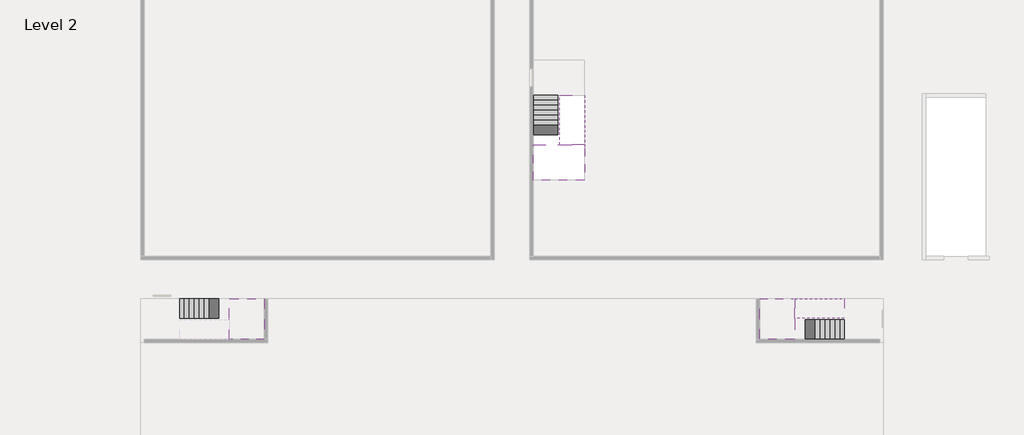
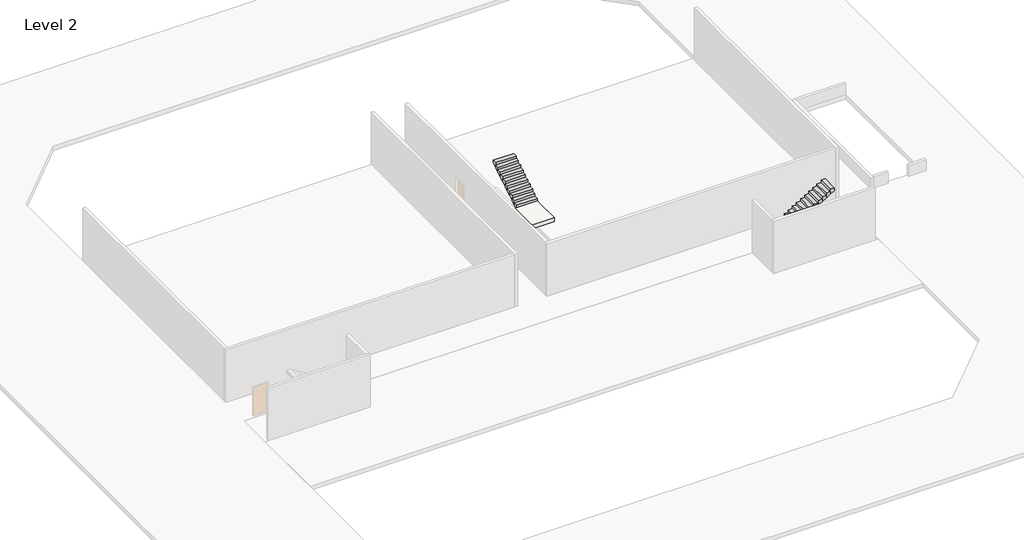
# One storey, part 2 of 2: 5 stair flights, 3 slabs.
"""IFC4 building model written with IfcOpenShell, lengths in millimetres."""

from ifc_helpers import new_model, si_unit, origin, place, context, project, spatial, faceted_brep, element, save

model = new_model("IFC4")

# Units and contexts
model_context = context("Model", 3, world=origin())
ifc_project = project(units=[si_unit("LENGTHUNIT", "METRE", prefix="MILLI")], contexts=[model_context])

# Site, building, storey
site = spatial("IfcSite", under=ifc_project)
building = spatial("IfcBuilding", under=site)
storey = spatial("IfcBuildingStorey", under=building, Name="Level 2", Elevation=3800.0)

# Slabs
placement = place(None, origin())
element("IfcSlab", 1, at=placement, inside=storey, context=model_context, shape_type="Brep", body=[
    faceted_brep([(8190.1058784, -42918.09644, 5700.0), (8190.1058784, -44018.09644, 5700.0), (8190.1058784, -44118.09644, 5700.0), (8190.1058784, -45218.09644, 5700.0), (8390.7194421, -45218.09644, 5700.0), (10190.1058784, -45218.09644, 5700.0), (10190.1058784, -42918.09644, 5700.0), (8269.4923146, -42918.09644, 5700.0), (8190.1058784, -42918.09644, 5527.2727273), (8190.1058784, -42918.09644, 5351.0278478), (8190.1058784, -44018.09644, 5351.0278478), (8190.1058784, -44018.09644, 5400.0), (8190.1058784, -44118.09644, 5400.0), (8190.1058784, -44118.09644, 5523.7551205), (8190.1058784, -45218.09644, 5523.7551205), (8390.7194421, -45218.09644, 5400.0), (10190.1058784, -45218.09644, 5400.0), (10190.1058784, -42918.09644, 5400.0), (8269.4923146, -42918.09644, 5400.0), (8390.7194421, -44118.09644, 5400.0), (8269.4923146, -44018.09644, 5400.0)], [[[0, 1, 2, 3, 4, 5, 6, 7]], [[1, 0, 8, 9, 10, 11]], [[2, 1, 11, 12, 13]], [[3, 2, 13, 14]], [[3, 14, 15, 16, 5, 4]], [[6, 5, 16, 17]], [[9, 8, 0, 7, 6, 17, 18]], [[19, 12, 11, 20, 18, 17, 16, 15]], [[12, 19, 13]], [[18, 20, 10, 9]], [[20, 11, 10]], [[19, 15, 14, 13]]]),
])
element("IfcSlab", 2, at=placement, inside=storey, context=model_context, shape_type="Brep", body=[
    faceted_brep([(40190.1058784, -45218.09644, 5700.0), (40190.1058784, -44118.09644, 5700.0), (40190.1058784, -44018.09644, 5700.0), (40190.1058784, -42918.09644, 5700.0), (39989.4923146, -42918.09644, 5700.0), (38190.1058784, -42918.09644, 5700.0), (38190.1058784, -45218.09644, 5700.0), (40110.7194421, -45218.09644, 5700.0), (40190.1058784, -45218.09644, 5527.2727273), (40190.1058784, -45218.09644, 5351.0278478), (40190.1058784, -44118.09644, 5351.0278478), (40190.1058784, -44118.09644, 5400.0), (40190.1058784, -44018.09644, 5400.0), (40190.1058784, -44018.09644, 5523.7551205), (40190.1058784, -42918.09644, 5523.7551205), (39989.4923146, -42918.09644, 5400.0), (38190.1058784, -42918.09644, 5400.0), (38190.1058784, -45218.09644, 5400.0), (40110.7194421, -45218.09644, 5400.0), (39989.4923146, -44018.09644, 5400.0), (40110.7194421, -44118.09644, 5400.0)], [[[0, 1, 2, 3, 4, 5, 6, 7]], [[1, 0, 8, 9, 10, 11]], [[2, 1, 11, 12, 13]], [[3, 2, 13, 14]], [[3, 14, 15, 16, 5, 4]], [[6, 5, 16, 17]], [[9, 8, 0, 7, 6, 17, 18]], [[19, 12, 11, 20, 18, 17, 16, 15]], [[12, 19, 13]], [[18, 20, 10, 9]], [[20, 11, 10]], [[19, 15, 14, 13]]]),
])
element("IfcSlab", 3, at=placement, inside=storey, context=model_context, shape_type="Brep", body=[
    faceted_brep([(26790.1058784, -34218.09644, 5700.0), (25390.1058784, -34218.09644, 5700.0), (25390.1058784, -34297.4828763, 5700.0), (25390.1058784, -36218.09644, 5700.0), (28290.1058784, -36218.09644, 5700.0), (28290.1058784, -34418.7100038, 5700.0), (28290.1058784, -34218.09644, 5700.0), (26890.1058784, -34218.09644, 5700.0), (26790.1058784, -34218.09644, 5400.0), (26790.1058784, -34218.09644, 5351.0278478), (25390.1058784, -34218.09644, 5351.0278478), (25390.1058784, -34218.09644, 5527.2727273), (25390.1058784, -34297.4828763, 5400.0), (25390.1058784, -36218.09644, 5400.0), (28290.1058784, -36218.09644, 5400.0), (28290.1058784, -34418.7100038, 5400.0), (28290.1058784, -34218.09644, 5523.7551205), (26890.1058784, -34218.09644, 5523.7551205), (26890.1058784, -34218.09644, 5400.0), (26890.1058784, -34418.7100038, 5400.0), (26790.1058784, -34297.4828763, 5400.0)], [[[0, 1, 2, 3, 4, 5, 6, 7]], [[1, 0, 8, 9, 10, 11]], [[1, 11, 10, 12, 13, 3, 2]], [[4, 3, 13, 14]], [[4, 14, 15, 16, 6, 5]], [[7, 6, 16, 17]], [[0, 7, 17, 18, 8]], [[18, 19, 15, 14, 13, 12, 20, 8]], [[19, 18, 17]], [[20, 12, 10, 9]], [[8, 20, 9]], [[15, 19, 17, 16]]]),
])

# Stair flights
element("IfcStairFlight", 4, at=placement, inside=storey, context=model_context, shape_type="Brep", body=[
    faceted_brep([(5670.1058784, -42918.09644, 3972.7272727), (5390.1058784, -42918.09644, 3972.7272727), (5390.1058784, -44018.09644, 3972.7272727), (5670.1058784, -44018.09644, 3972.7272727), (5670.1058784, -42918.09644, 3800.0), (5390.1058784, -42918.09644, 3800.0), (5390.1058784, -44018.09644, 3800.0), (5670.1058784, -44018.09644, 3800.0), (5950.1058784, -42918.09644, 4145.4545455), (5670.1058784, -42918.09644, 4145.4545455), (5670.1058784, -44018.09644, 4145.4545455), (5950.1058784, -44018.09644, 4145.4545455), (5950.1058784, -42918.09644, 3969.209666), (5675.8081041, -42918.09644, 3800.0), (5675.8081041, -44018.09644, 3800.0), (5950.1058784, -44018.09644, 3969.209666), (6230.1058784, -42918.09644, 4318.1818182), (5950.1058784, -42918.09644, 4318.1818182), (5950.1058784, -44018.09644, 4318.1818182), (6230.1058784, -44018.09644, 4318.1818182), (6230.1058784, -42918.09644, 4141.9369387), (6230.1058784, -44018.09644, 4141.9369387), (6510.1058784, -42918.09644, 4490.9090909), (6230.1058784, -42918.09644, 4490.9090909), (6230.1058784, -44018.09644, 4490.9090909), (6510.1058784, -44018.09644, 4490.9090909), (6510.1058784, -42918.09644, 4314.6642114), (6510.1058784, -44018.09644, 4314.6642114), (6790.1058784, -42918.09644, 4663.6363636), (6510.1058784, -42918.09644, 4663.6363636), (6510.1058784, -44018.09644, 4663.6363636), (6790.1058784, -44018.09644, 4663.6363636), (6790.1058784, -42918.09644, 4487.3914841), (6790.1058784, -44018.09644, 4487.3914841), (7070.1058784, -42918.09644, 4836.3636364), (6790.1058784, -42918.09644, 4836.3636364), (6790.1058784, -44018.09644, 4836.3636364), (7070.1058784, -44018.09644, 4836.3636364), (7070.1058784, -42918.09644, 4660.1187569), (7070.1058784, -44018.09644, 4660.1187569), (7350.1058784, -42918.09644, 5009.0909091), (7070.1058784, -42918.09644, 5009.0909091), (7070.1058784, -44018.09644, 5009.0909091), (7350.1058784, -44018.09644, 5009.0909091), (7350.1058784, -42918.09644, 4832.8460296), (7350.1058784, -44018.09644, 4832.8460296), (7630.1058784, -42918.09644, 5181.8181818), (7350.1058784, -42918.09644, 5181.8181818), (7350.1058784, -44018.09644, 5181.8181818), (7630.1058784, -44018.09644, 5181.8181818), (7630.1058784, -42918.09644, 5005.5733023), (7630.1058784, -44018.09644, 5005.5733023), (7910.1058784, -42918.09644, 5354.5454545), (7630.1058784, -42918.09644, 5354.5454545), (7630.1058784, -44018.09644, 5354.5454545), (7910.1058784, -44018.09644, 5354.5454545), (7910.1058784, -42918.09644, 5178.3005751), (7910.1058784, -44018.09644, 5178.3005751), (8190.1058784, -42918.09644, 5527.2727273), (7910.1058784, -42918.09644, 5527.2727273), (7910.1058784, -44018.09644, 5527.2727273), (8190.1058784, -44018.09644, 5527.2727273), (8190.1058784, -42918.09644, 5351.0278478), (8190.1058784, -44018.09644, 5351.0278478), (8190.1058784, -44018.09644, 5400.0)], [[[0, 1, 2, 3]], [[1, 0, 4, 5]], [[2, 1, 5, 6]], [[3, 2, 6, 7]], [[8, 9, 10, 11]], [[4, 0, 9, 8, 12, 13]], [[0, 3, 10, 9]], [[3, 7, 14, 15, 11, 10]], [[16, 17, 18, 19]], [[17, 16, 20, 12, 8]], [[8, 11, 18, 17]], [[19, 18, 11, 15, 21]], [[22, 23, 24, 25]], [[23, 22, 26, 20, 16]], [[16, 19, 24, 23]], [[25, 24, 19, 21, 27]], [[28, 29, 30, 31]], [[29, 28, 32, 26, 22]], [[22, 25, 30, 29]], [[31, 30, 25, 27, 33]], [[34, 35, 36, 37]], [[35, 34, 38, 32, 28]], [[28, 31, 36, 35]], [[37, 36, 31, 33, 39]], [[40, 41, 42, 43]], [[41, 40, 44, 38, 34]], [[34, 37, 42, 41]], [[43, 42, 37, 39, 45]], [[46, 47, 48, 49]], [[47, 46, 50, 44, 40]], [[40, 43, 48, 47]], [[49, 48, 43, 45, 51]], [[52, 53, 54, 55]], [[53, 52, 56, 50, 46]], [[46, 49, 54, 53]], [[55, 54, 49, 51, 57]], [[58, 59, 60, 61]], [[59, 58, 62, 56, 52]], [[52, 55, 60, 59]], [[61, 60, 55, 57, 63, 64]], [[58, 61, 64, 63, 62]], [[5, 4, 13, 14, 7, 6]], [[14, 13, 12, 20, 26, 32, 38, 44, 50, 56, 62, 63, 57, 51, 45, 39, 33, 27, 21, 15]]]),
])
element("IfcStairFlight", 5, at=placement, inside=storey, context=model_context, shape_type="Brep", body=[
    faceted_brep([(42710.1058784, -45218.09644, 3972.7272727), (42990.1058784, -45218.09644, 3972.7272727), (42990.1058784, -44118.09644, 3972.7272727), (42710.1058784, -44118.09644, 3972.7272727), (42710.1058784, -45218.09644, 3800.0), (42990.1058784, -45218.09644, 3800.0), (42990.1058784, -44118.09644, 3800.0), (42710.1058784, -44118.09644, 3800.0), (42430.1058784, -45218.09644, 4145.4545455), (42710.1058784, -45218.09644, 4145.4545455), (42710.1058784, -44118.09644, 4145.4545455), (42430.1058784, -44118.09644, 4145.4545455), (42430.1058784, -45218.09644, 3969.209666), (42704.4036527, -45218.09644, 3800.0), (42704.4036527, -44118.09644, 3800.0), (42430.1058784, -44118.09644, 3969.209666), (42150.1058784, -45218.09644, 4318.1818182), (42430.1058784, -45218.09644, 4318.1818182), (42430.1058784, -44118.09644, 4318.1818182), (42150.1058784, -44118.09644, 4318.1818182), (42150.1058784, -45218.09644, 4141.9369387), (42150.1058784, -44118.09644, 4141.9369387), (41870.1058784, -45218.09644, 4490.9090909), (42150.1058784, -45218.09644, 4490.9090909), (42150.1058784, -44118.09644, 4490.9090909), (41870.1058784, -44118.09644, 4490.9090909), (41870.1058784, -45218.09644, 4314.6642114), (41870.1058784, -44118.09644, 4314.6642114), (41590.1058784, -45218.09644, 4663.6363636), (41870.1058784, -45218.09644, 4663.6363636), (41870.1058784, -44118.09644, 4663.6363636), (41590.1058784, -44118.09644, 4663.6363636), (41590.1058784, -45218.09644, 4487.3914841), (41590.1058784, -44118.09644, 4487.3914841), (41310.1058784, -45218.09644, 4836.3636364), (41590.1058784, -45218.09644, 4836.3636364), (41590.1058784, -44118.09644, 4836.3636364), (41310.1058784, -44118.09644, 4836.3636364), (41310.1058784, -45218.09644, 4660.1187569), (41310.1058784, -44118.09644, 4660.1187569), (41030.1058784, -45218.09644, 5009.0909091), (41310.1058784, -45218.09644, 5009.0909091), (41310.1058784, -44118.09644, 5009.0909091), (41030.1058784, -44118.09644, 5009.0909091), (41030.1058784, -45218.09644, 4832.8460296), (41030.1058784, -44118.09644, 4832.8460296), (40750.1058784, -45218.09644, 5181.8181818), (41030.1058784, -45218.09644, 5181.8181818), (41030.1058784, -44118.09644, 5181.8181818), (40750.1058784, -44118.09644, 5181.8181818), (40750.1058784, -45218.09644, 5005.5733023), (40750.1058784, -44118.09644, 5005.5733023), (40470.1058784, -45218.09644, 5354.5454545), (40750.1058784, -45218.09644, 5354.5454545), (40750.1058784, -44118.09644, 5354.5454545), (40470.1058784, -44118.09644, 5354.5454545), (40470.1058784, -45218.09644, 5178.3005751), (40470.1058784, -44118.09644, 5178.3005751), (40190.1058784, -45218.09644, 5527.2727273), (40470.1058784, -45218.09644, 5527.2727273), (40470.1058784, -44118.09644, 5527.2727273), (40190.1058784, -44118.09644, 5527.2727273), (40190.1058784, -45218.09644, 5351.0278478), (40190.1058784, -44118.09644, 5351.0278478), (40190.1058784, -44118.09644, 5400.0)], [[[0, 1, 2, 3]], [[1, 0, 4, 5]], [[2, 1, 5, 6]], [[3, 2, 6, 7]], [[8, 9, 10, 11]], [[4, 0, 9, 8, 12, 13]], [[0, 3, 10, 9]], [[3, 7, 14, 15, 11, 10]], [[16, 17, 18, 19]], [[17, 16, 20, 12, 8]], [[8, 11, 18, 17]], [[19, 18, 11, 15, 21]], [[22, 23, 24, 25]], [[23, 22, 26, 20, 16]], [[16, 19, 24, 23]], [[25, 24, 19, 21, 27]], [[28, 29, 30, 31]], [[29, 28, 32, 26, 22]], [[22, 25, 30, 29]], [[31, 30, 25, 27, 33]], [[34, 35, 36, 37]], [[35, 34, 38, 32, 28]], [[28, 31, 36, 35]], [[37, 36, 31, 33, 39]], [[40, 41, 42, 43]], [[41, 40, 44, 38, 34]], [[34, 37, 42, 41]], [[43, 42, 37, 39, 45]], [[46, 47, 48, 49]], [[47, 46, 50, 44, 40]], [[40, 43, 48, 47]], [[49, 48, 43, 45, 51]], [[52, 53, 54, 55]], [[53, 52, 56, 50, 46]], [[46, 49, 54, 53]], [[55, 54, 49, 51, 57]], [[58, 59, 60, 61]], [[59, 58, 62, 56, 52]], [[52, 55, 60, 59]], [[61, 60, 55, 57, 63, 64]], [[58, 61, 64, 63, 62]], [[5, 4, 13, 14, 7, 6]], [[14, 13, 12, 20, 26, 32, 38, 44, 50, 56, 62, 63, 57, 51, 45, 39, 33, 27, 21, 15]]]),
])
element("IfcStairFlight", 6, at=placement, inside=storey, context=model_context, shape_type="Brep", body=[
    faceted_brep([(40470.1058784, -42918.09644, 5872.7272727), (40190.1058784, -42918.09644, 5872.7272727), (40190.1058784, -44018.09644, 5872.7272727), (40470.1058784, -44018.09644, 5872.7272727), (40470.1058784, -42918.09644, 5696.4823932), (40190.1058784, -42918.09644, 5523.7551205), (40190.1058784, -42918.09644, 5700.0), (40190.1058784, -44018.09644, 5523.7551205), (40470.1058784, -44018.09644, 5696.4823932), (40750.1058784, -42918.09644, 6045.4545455), (40470.1058784, -42918.09644, 6045.4545455), (40470.1058784, -44018.09644, 6045.4545455), (40750.1058784, -44018.09644, 6045.4545455), (40750.1058784, -42918.09644, 5869.209666), (40750.1058784, -44018.09644, 5869.209666), (41030.1058784, -42918.09644, 6218.1818182), (40750.1058784, -42918.09644, 6218.1818182), (40750.1058784, -44018.09644, 6218.1818182), (41030.1058784, -44018.09644, 6218.1818182), (41030.1058784, -42918.09644, 6041.9369387), (41030.1058784, -44018.09644, 6041.9369387), (41310.1058784, -42918.09644, 6390.9090909), (41030.1058784, -42918.09644, 6390.9090909), (41030.1058784, -44018.09644, 6390.9090909), (41310.1058784, -44018.09644, 6390.9090909), (41310.1058784, -42918.09644, 6214.6642114), (41310.1058784, -44018.09644, 6214.6642114), (41590.1058784, -42918.09644, 6563.6363636), (41310.1058784, -42918.09644, 6563.6363636), (41310.1058784, -44018.09644, 6563.6363636), (41590.1058784, -44018.09644, 6563.6363636), (41590.1058784, -42918.09644, 6387.3914841), (41590.1058784, -44018.09644, 6387.3914841), (41870.1058784, -42918.09644, 6736.3636364), (41590.1058784, -42918.09644, 6736.3636364), (41590.1058784, -44018.09644, 6736.3636364), (41870.1058784, -44018.09644, 6736.3636364), (41870.1058784, -42918.09644, 6560.1187569), (41870.1058784, -44018.09644, 6560.1187569), (42150.1058784, -42918.09644, 6909.0909091), (41870.1058784, -42918.09644, 6909.0909091), (41870.1058784, -44018.09644, 6909.0909091), (42150.1058784, -44018.09644, 6909.0909091), (42150.1058784, -42918.09644, 6732.8460296), (42150.1058784, -44018.09644, 6732.8460296), (42430.1058784, -42918.09644, 7081.8181818), (42150.1058784, -42918.09644, 7081.8181818), (42150.1058784, -44018.09644, 7081.8181818), (42430.1058784, -44018.09644, 7081.8181818), (42430.1058784, -42918.09644, 6905.5733023), (42430.1058784, -44018.09644, 6905.5733023), (42710.1058784, -42918.09644, 7254.5454545), (42430.1058784, -42918.09644, 7254.5454545), (42430.1058784, -44018.09644, 7254.5454545), (42710.1058784, -44018.09644, 7254.5454545), (42710.1058784, -42918.09644, 7078.3005751), (42710.1058784, -44018.09644, 7078.3005751), (42990.1058784, -42918.09644, 7427.2727273), (42710.1058784, -42918.09644, 7427.2727273), (42710.1058784, -44018.09644, 7427.2727273), (42990.1058784, -44018.09644, 7427.2727273), (42990.1058784, -42918.09644, 7251.0278478), (42990.1058784, -44018.09644, 7251.0278478)], [[[0, 1, 2, 3]], [[1, 0, 4, 5, 6]], [[2, 1, 6, 5, 7]], [[3, 2, 7, 8]], [[9, 10, 11, 12]], [[10, 9, 13, 4, 0]], [[11, 10, 0, 3]], [[12, 11, 3, 8, 14]], [[15, 16, 17, 18]], [[16, 15, 19, 13, 9]], [[17, 16, 9, 12]], [[18, 17, 12, 14, 20]], [[21, 22, 23, 24]], [[22, 21, 25, 19, 15]], [[23, 22, 15, 18]], [[24, 23, 18, 20, 26]], [[27, 28, 29, 30]], [[28, 27, 31, 25, 21]], [[29, 28, 21, 24]], [[30, 29, 24, 26, 32]], [[33, 34, 35, 36]], [[34, 33, 37, 31, 27]], [[35, 34, 27, 30]], [[36, 35, 30, 32, 38]], [[39, 40, 41, 42]], [[40, 39, 43, 37, 33]], [[41, 40, 33, 36]], [[42, 41, 36, 38, 44]], [[45, 46, 47, 48]], [[46, 45, 49, 43, 39]], [[47, 46, 39, 42]], [[48, 47, 42, 44, 50]], [[51, 52, 53, 54]], [[52, 51, 55, 49, 45]], [[53, 52, 45, 48]], [[54, 53, 48, 50, 56]], [[57, 58, 59, 60]], [[58, 57, 61, 55, 51]], [[59, 58, 51, 54]], [[60, 59, 54, 56, 62]], [[57, 60, 62, 61]], [[5, 4, 13, 19, 25, 31, 37, 43, 49, 55, 61, 62, 56, 50, 44, 38, 32, 26, 20, 14, 8, 7]]]),
])
element("IfcStairFlight", 7, at=placement, inside=storey, context=model_context, shape_type="Brep", body=[
    faceted_brep([(26790.1058784, -31698.09644, 3972.7272727), (26790.1058784, -31418.09644, 3972.7272727), (25390.1058784, -31418.09644, 3972.7272727), (25390.1058784, -31698.09644, 3972.7272727), (26790.1058784, -31698.09644, 3800.0), (26790.1058784, -31418.09644, 3800.0), (25390.1058784, -31418.09644, 3800.0), (25390.1058784, -31698.09644, 3800.0), (26790.1058784, -31978.09644, 4145.4545455), (26790.1058784, -31698.09644, 4145.4545455), (25390.1058784, -31698.09644, 4145.4545455), (25390.1058784, -31978.09644, 4145.4545455), (26790.1058784, -31978.09644, 3969.209666), (26790.1058784, -31703.7986657, 3800.0), (25390.1058784, -31703.7986657, 3800.0), (25390.1058784, -31978.09644, 3969.209666), (26790.1058784, -32258.09644, 4318.1818182), (26790.1058784, -31978.09644, 4318.1818182), (25390.1058784, -31978.09644, 4318.1818182), (25390.1058784, -32258.09644, 4318.1818182), (26790.1058784, -32258.09644, 4141.9369387), (25390.1058784, -32258.09644, 4141.9369387), (26790.1058784, -32538.09644, 4490.9090909), (26790.1058784, -32258.09644, 4490.9090909), (25390.1058784, -32258.09644, 4490.9090909), (25390.1058784, -32538.09644, 4490.9090909), (26790.1058784, -32538.09644, 4314.6642114), (25390.1058784, -32538.09644, 4314.6642114), (26790.1058784, -32818.09644, 4663.6363636), (26790.1058784, -32538.09644, 4663.6363636), (25390.1058784, -32538.09644, 4663.6363636), (25390.1058784, -32818.09644, 4663.6363636), (26790.1058784, -32818.09644, 4487.3914841), (25390.1058784, -32818.09644, 4487.3914841), (26790.1058784, -33098.09644, 4836.3636364), (26790.1058784, -32818.09644, 4836.3636364), (25390.1058784, -32818.09644, 4836.3636364), (25390.1058784, -33098.09644, 4836.3636364), (26790.1058784, -33098.09644, 4660.1187569), (25390.1058784, -33098.09644, 4660.1187569), (26790.1058784, -33378.09644, 5009.0909091), (26790.1058784, -33098.09644, 5009.0909091), (25390.1058784, -33098.09644, 5009.0909091), (25390.1058784, -33378.09644, 5009.0909091), (26790.1058784, -33378.09644, 4832.8460296), (25390.1058784, -33378.09644, 4832.8460296), (26790.1058784, -33658.09644, 5181.8181818), (26790.1058784, -33378.09644, 5181.8181818), (25390.1058784, -33378.09644, 5181.8181818), (25390.1058784, -33658.09644, 5181.8181818), (26790.1058784, -33658.09644, 5005.5733023), (25390.1058784, -33658.09644, 5005.5733023), (26790.1058784, -33938.09644, 5354.5454545), (26790.1058784, -33658.09644, 5354.5454545), (25390.1058784, -33658.09644, 5354.5454545), (25390.1058784, -33938.09644, 5354.5454545), (26790.1058784, -33938.09644, 5178.3005751), (25390.1058784, -33938.09644, 5178.3005751), (26790.1058784, -34218.09644, 5527.2727273), (26790.1058784, -33938.09644, 5527.2727273), (25390.1058784, -33938.09644, 5527.2727273), (25390.1058784, -34218.09644, 5527.2727273), (26790.1058784, -34218.09644, 5400.0), (26790.1058784, -34218.09644, 5351.0278478), (25390.1058784, -34218.09644, 5351.0278478)], [[[0, 1, 2, 3]], [[1, 0, 4, 5]], [[2, 1, 5, 6]], [[3, 2, 6, 7]], [[8, 9, 10, 11]], [[4, 0, 9, 8, 12, 13]], [[0, 3, 10, 9]], [[3, 7, 14, 15, 11, 10]], [[16, 17, 18, 19]], [[17, 16, 20, 12, 8]], [[8, 11, 18, 17]], [[19, 18, 11, 15, 21]], [[22, 23, 24, 25]], [[23, 22, 26, 20, 16]], [[16, 19, 24, 23]], [[25, 24, 19, 21, 27]], [[28, 29, 30, 31]], [[29, 28, 32, 26, 22]], [[22, 25, 30, 29]], [[31, 30, 25, 27, 33]], [[34, 35, 36, 37]], [[35, 34, 38, 32, 28]], [[28, 31, 36, 35]], [[37, 36, 31, 33, 39]], [[40, 41, 42, 43]], [[41, 40, 44, 38, 34]], [[34, 37, 42, 41]], [[43, 42, 37, 39, 45]], [[46, 47, 48, 49]], [[47, 46, 50, 44, 40]], [[40, 43, 48, 47]], [[49, 48, 43, 45, 51]], [[52, 53, 54, 55]], [[53, 52, 56, 50, 46]], [[46, 49, 54, 53]], [[55, 54, 49, 51, 57]], [[58, 59, 60, 61]], [[59, 58, 62, 63, 56, 52]], [[52, 55, 60, 59]], [[61, 60, 55, 57, 64]], [[58, 61, 64, 63, 62]], [[5, 4, 13, 14, 7, 6]], [[14, 13, 12, 20, 26, 32, 38, 44, 50, 56, 63, 64, 57, 51, 45, 39, 33, 27, 21, 15]]]),
])
element("IfcStairFlight", 8, at=placement, inside=storey, context=model_context, shape_type="Brep", body=[
    faceted_brep([(26890.1058784, -33938.09644, 5872.7272727), (26890.1058784, -34218.09644, 5872.7272727), (28290.1058784, -34218.09644, 5872.7272727), (28290.1058784, -33938.09644, 5872.7272727), (26890.1058784, -33938.09644, 5696.4823932), (26890.1058784, -34218.09644, 5523.7551205), (28290.1058784, -34218.09644, 5523.7551205), (28290.1058784, -34218.09644, 5700.0), (28290.1058784, -33938.09644, 5696.4823932), (26890.1058784, -33658.09644, 6045.4545455), (26890.1058784, -33938.09644, 6045.4545455), (28290.1058784, -33938.09644, 6045.4545455), (28290.1058784, -33658.09644, 6045.4545455), (26890.1058784, -33658.09644, 5869.209666), (28290.1058784, -33658.09644, 5869.209666), (26890.1058784, -33378.09644, 6218.1818182), (26890.1058784, -33658.09644, 6218.1818182), (28290.1058784, -33658.09644, 6218.1818182), (28290.1058784, -33378.09644, 6218.1818182), (26890.1058784, -33378.09644, 6041.9369387), (28290.1058784, -33378.09644, 6041.9369387), (26890.1058784, -33098.09644, 6390.9090909), (26890.1058784, -33378.09644, 6390.9090909), (28290.1058784, -33378.09644, 6390.9090909), (28290.1058784, -33098.09644, 6390.9090909), (26890.1058784, -33098.09644, 6214.6642114), (28290.1058784, -33098.09644, 6214.6642114), (26890.1058784, -32818.09644, 6563.6363636), (26890.1058784, -33098.09644, 6563.6363636), (28290.1058784, -33098.09644, 6563.6363636), (28290.1058784, -32818.09644, 6563.6363636), (26890.1058784, -32818.09644, 6387.3914841), (28290.1058784, -32818.09644, 6387.3914841), (26890.1058784, -32538.09644, 6736.3636364), (26890.1058784, -32818.09644, 6736.3636364), (28290.1058784, -32818.09644, 6736.3636364), (28290.1058784, -32538.09644, 6736.3636364), (26890.1058784, -32538.09644, 6560.1187569), (28290.1058784, -32538.09644, 6560.1187569), (26890.1058784, -32258.09644, 6909.0909091), (26890.1058784, -32538.09644, 6909.0909091), (28290.1058784, -32538.09644, 6909.0909091), (28290.1058784, -32258.09644, 6909.0909091), (26890.1058784, -32258.09644, 6732.8460296), (28290.1058784, -32258.09644, 6732.8460296), (26890.1058784, -31978.09644, 7081.8181818), (26890.1058784, -32258.09644, 7081.8181818), (28290.1058784, -32258.09644, 7081.8181818), (28290.1058784, -31978.09644, 7081.8181818), (26890.1058784, -31978.09644, 6905.5733023), (28290.1058784, -31978.09644, 6905.5733023), (26890.1058784, -31698.09644, 7254.5454545), (26890.1058784, -31978.09644, 7254.5454545), (28290.1058784, -31978.09644, 7254.5454545), (28290.1058784, -31698.09644, 7254.5454545), (26890.1058784, -31698.09644, 7078.3005751), (28290.1058784, -31698.09644, 7078.3005751), (26890.1058784, -31418.09644, 7427.2727273), (26890.1058784, -31698.09644, 7427.2727273), (28290.1058784, -31698.09644, 7427.2727273), (28290.1058784, -31418.09644, 7427.2727273), (26890.1058784, -31418.09644, 7251.0278478), (28290.1058784, -31418.09644, 7251.0278478)], [[[0, 1, 2, 3]], [[1, 0, 4, 5]], [[2, 1, 5, 6, 7]], [[3, 2, 7, 6, 8]], [[9, 10, 11, 12]], [[10, 9, 13, 4, 0]], [[11, 10, 0, 3]], [[12, 11, 3, 8, 14]], [[15, 16, 17, 18]], [[16, 15, 19, 13, 9]], [[17, 16, 9, 12]], [[18, 17, 12, 14, 20]], [[21, 22, 23, 24]], [[22, 21, 25, 19, 15]], [[23, 22, 15, 18]], [[24, 23, 18, 20, 26]], [[27, 28, 29, 30]], [[28, 27, 31, 25, 21]], [[29, 28, 21, 24]], [[30, 29, 24, 26, 32]], [[33, 34, 35, 36]], [[34, 33, 37, 31, 27]], [[35, 34, 27, 30]], [[36, 35, 30, 32, 38]], [[39, 40, 41, 42]], [[40, 39, 43, 37, 33]], [[41, 40, 33, 36]], [[42, 41, 36, 38, 44]], [[45, 46, 47, 48]], [[46, 45, 49, 43, 39]], [[47, 46, 39, 42]], [[48, 47, 42, 44, 50]], [[51, 52, 53, 54]], [[52, 51, 55, 49, 45]], [[53, 52, 45, 48]], [[54, 53, 48, 50, 56]], [[57, 58, 59, 60]], [[58, 57, 61, 55, 51]], [[59, 58, 51, 54]], [[60, 59, 54, 56, 62]], [[57, 60, 62, 61]], [[5, 4, 13, 19, 25, 31, 37, 43, 49, 55, 61, 62, 56, 50, 44, 38, 32, 26, 20, 14, 8, 6]]]),
])

save(model, "model.ifc")
